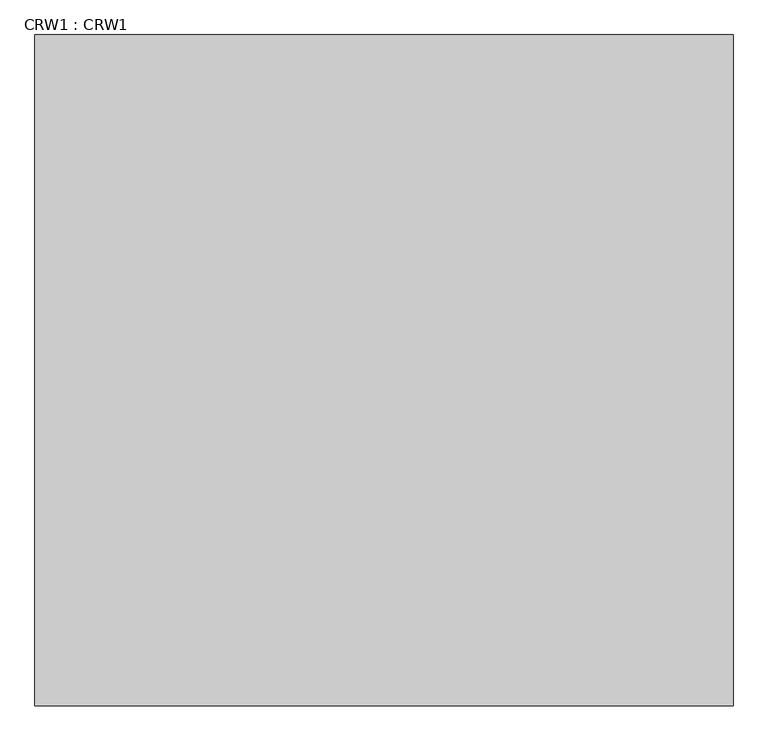
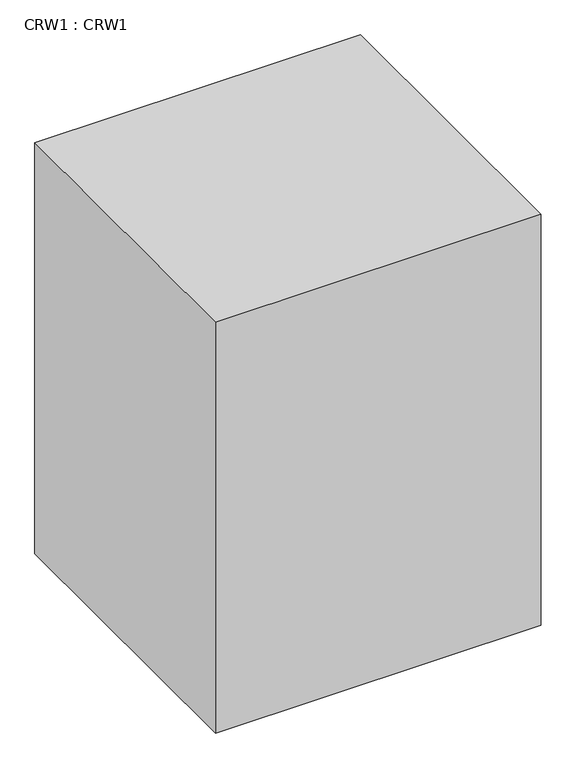
"""IFC4 building model written with IfcOpenShell, lengths in millimetres: proxy geometry, CRW1 : CRW1."""

from ifc_helpers import new_model, si_unit, origin, origin_with_axes, place, context, project, spatial, polyline, outline, extrude, source, transform, mapped, element, save


def crw1_crw1_e2c3a0bf(model_context):
    return source(origin(), model_context, "Body", "SweptSolid", [
        extrude(outline(polyline([(1066.8, -1037.4287485), (-1066.8, -1037.4287485), (-1066.8, 1013.6212515), (1066.8, 1013.6212515), (1066.8, -1037.4287485)])), origin_with_axes(), (0.0, 0.0, 1.0), 2844.8),
    ])


if __name__ == "__main__":
    model = new_model("IFC4")
    model_context = context("Model", 3, world=origin())
    ifc_project = project(units=[si_unit("LENGTHUNIT", "METRE", prefix="MILLI")], contexts=[model_context])
    site = spatial("IfcSite", under=ifc_project)
    building = spatial("IfcBuilding", under=site)
    placement = place(None, origin())
    crw1_crw1_shape = crw1_crw1_e2c3a0bf(model_context)
    element("IfcBuildingElementProxy", 1, Name="CRW1 : CRW1", ObjectType="CRW1 : CRW1", at=placement, inside=building, context=model_context, shape_type="MappedRepresentation", body=[
        mapped(crw1_crw1_shape, transform((0.0, 0.0, 0.0), x_axis=(1.0, 0.0, 0.0), y_axis=(0.0, 1.0, 0.0), z_axis=(0.0, 0.0, 1.0))),
    ])
    save(model, "model.ifc")
